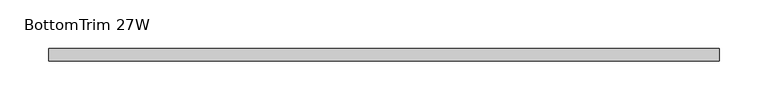
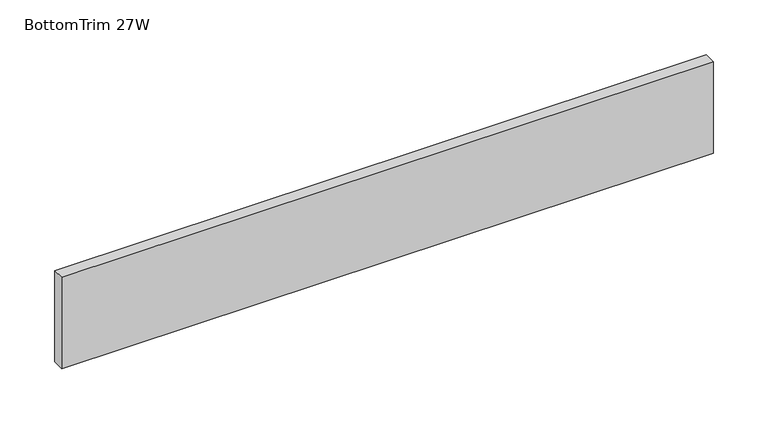
"""IFC4 building model written with IfcOpenShell, lengths in millimetres: furniture geometry, BottomTrim 27W."""

from ifc_helpers import new_model, si_unit, frame, origin, place, context, project, spatial, polyline, outline, extrude, source, transform, mapped, element, save


def bottomtrim_27w_6ef8d5c3(model_context):
    return source(origin(), model_context, "Body", "SweptSolid", [
        extrude(outline(polyline([(0.0, -50.8000015), (0.0, -38.1), (685.8, -38.1), (685.8, -50.8000015), (0.0, -50.8000015)])), frame((0.0, 0.0, 25.4), z_axis=(0.0, 0.0, 1.0), x_axis=(1.0, 0.0, 0.0)), (0.0, 0.0, 1.0), 101.600003),
    ])


if __name__ == "__main__":
    model = new_model("IFC4")
    model_context = context("Model", 3, world=origin())
    ifc_project = project(units=[si_unit("LENGTHUNIT", "METRE", prefix="MILLI")], contexts=[model_context])
    site = spatial("IfcSite", under=ifc_project)
    building = spatial("IfcBuilding", under=site)
    placement = place(None, origin())
    bottomtrim_27w_shape = bottomtrim_27w_6ef8d5c3(model_context)
    element("IfcFurniture", 1, ObjectType="BottomTrim 27W", at=placement, inside=building, context=model_context, shape_type="MappedRepresentation", body=[
        mapped(bottomtrim_27w_shape, transform((0.0, 0.0, 0.0), x_axis=(1.0, 0.0, 0.0), y_axis=(0.0, 1.0, 0.0), z_axis=(0.0, 0.0, 1.0))),
    ])
    save(model, "model.ifc")
